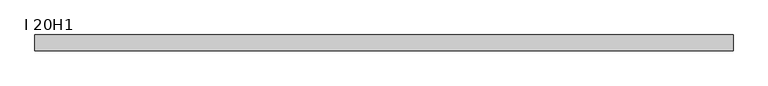
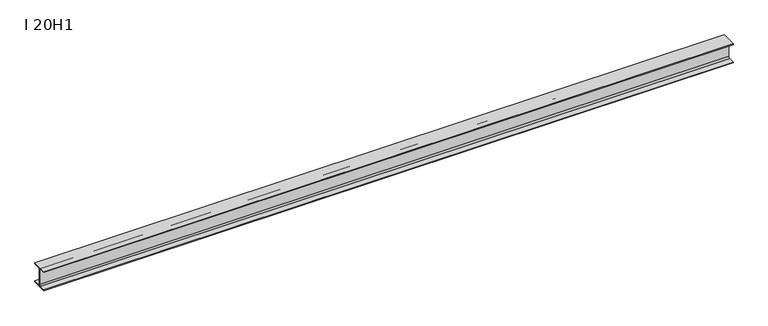
"""IFC4 building model written with IfcOpenShell, lengths in millimetres: beam geometry, I 20H1."""

from ifc_helpers import new_model, si_unit, point, frame, frame_2d, origin, place, context, project, spatial, polyline, circle_curve, trimmed, segment, composite_curve, outline, extrude, source, transform, mapped, element, save


def i_20h1_4a10a168(model_context):
    return source(origin(), model_context, "Body", "SweptSolid", [
        extrude(outline(composite_curve([segment(polyline([(75.0, -87.5), (75.0, -96.5), (-75.0, -96.5), (-75.0, -87.5), (-16.0, -87.5)]), True, "CONTINUOUS"), segment(trimmed(circle_curve(frame_2d((-16.0, -74.5)), 13.0), [point((-16.0, -87.5))], [point((-3.0, -74.5))], True, "CARTESIAN"), True, "CONTINUOUS"), segment(polyline([(-3.0, -74.5), (-3.0, 74.5)]), True, "CONTINUOUS"), segment(trimmed(circle_curve(frame_2d((-16.0, 74.5)), 13.0), [point((-3.0, 74.5))], [point((-16.0, 87.5))], True, "CARTESIAN"), True, "CONTINUOUS"), segment(polyline([(-16.0, 87.5), (-75.0, 87.5), (-75.0, 96.5), (75.0, 96.5), (75.0, 87.5), (16.0, 87.5)]), True, "CONTINUOUS"), segment(trimmed(circle_curve(frame_2d((16.0, 74.5)), 13.0), [point((16.0, 87.5))], [point((3.0, 74.5))], True, "CARTESIAN"), True, "CONTINUOUS"), segment(polyline([(3.0, 74.5), (3.0, -74.5)]), True, "CONTINUOUS"), segment(trimmed(circle_curve(frame_2d((16.0, -74.5)), 13.0), [point((3.0, -74.5))], [point((16.0, -87.5))], True, "CARTESIAN"), True, "CONTINUOUS"), segment(polyline([(16.0, -87.5), (75.0, -87.5)]), True, "CONTINUOUS")], self_intersect=False)), frame((-3298.0, 0.0, 0.0), z_axis=(1.0, 0.0, 0.0), x_axis=(0.0, 1.0, 0.0)), (0.0, 0.0, 1.0), 6596.0),
    ])


if __name__ == "__main__":
    model = new_model("IFC4")
    model_context = context("Model", 3, world=origin())
    ifc_project = project(units=[si_unit("LENGTHUNIT", "METRE", prefix="MILLI")], contexts=[model_context])
    site = spatial("IfcSite", under=ifc_project)
    building = spatial("IfcBuilding", under=site)
    placement = place(None, origin())
    i_20h1_shape = i_20h1_4a10a168(model_context)
    element("IfcBeam", 1, ObjectType="I 20H1", at=placement, inside=building, context=model_context, shape_type="MappedRepresentation", body=[
        mapped(i_20h1_shape, transform((0.0, 0.0, 0.0), x_axis=(1.0, 0.0, 0.0), y_axis=(0.0, 1.0, 0.0), z_axis=(0.0, 0.0, 1.0))),
    ])
    save(model, "model.ifc")
